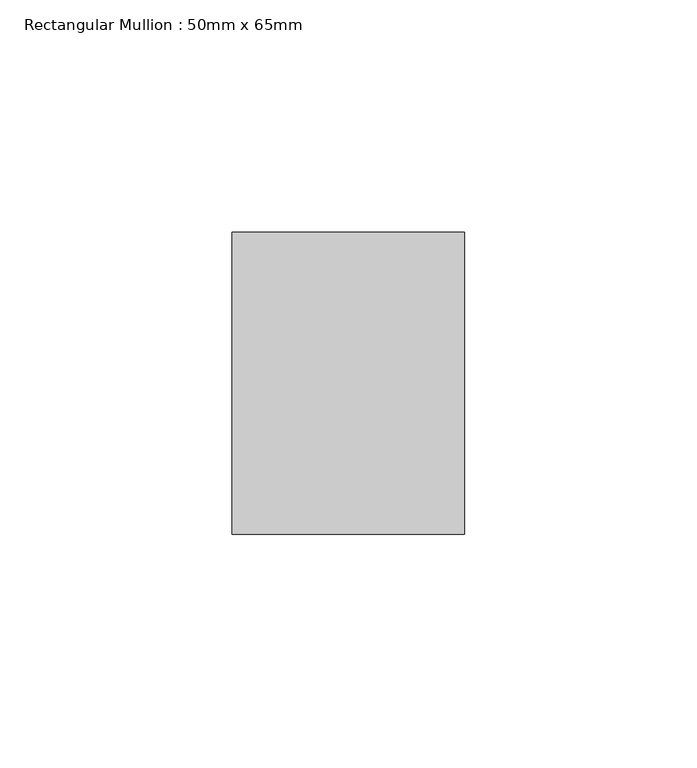
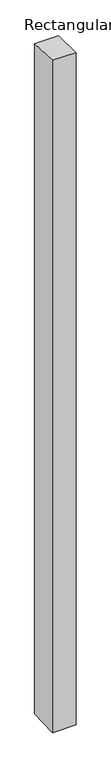
"""IFC4 building model written with IfcOpenShell, lengths in millimetres: member geometry, Rectangular Mullion : 50mm x 65mm."""

from ifc_helpers import new_model, si_unit, origin, place, context, project, spatial, faceted_brep, source, transform, mapped, element, save


def rectangular_mullion_50mm_x_65mm_e3cd74c4(model_context):
    return source(origin(), model_context, "Body", "Brep", [
        faceted_brep([(-25.0, 32.5, -0.8979638), (25.0, 32.5, -0.8979642), (25.0, 32.5, -1498.8576977), (-25.0, 32.5, -1498.8576983), (-25.0, -32.5, 0.8979642), (-25.0, -32.5, -1501.1415999), (25.0, -32.5, 0.8979638), (25.0, -32.5, -1501.1415993)], [[[0, 1, 2, 3]], [[4, 0, 3, 5]], [[6, 4, 5, 7]], [[1, 6, 7, 2]], [[1, 0, 4, 6]], [[2, 7, 5, 3]]]),
    ])


if __name__ == "__main__":
    model = new_model("IFC4")
    model_context = context("Model", 3, world=origin())
    ifc_project = project(units=[si_unit("LENGTHUNIT", "METRE", prefix="MILLI")], contexts=[model_context])
    site = spatial("IfcSite", under=ifc_project)
    building = spatial("IfcBuilding", under=site)
    placement = place(None, origin())
    rectangular_mullion_50mm_x_65mm_shape = rectangular_mullion_50mm_x_65mm_e3cd74c4(model_context)
    element("IfcMember", 1, ObjectType="Rectangular Mullion : 50mm x 65mm", at=placement, inside=building, context=model_context, shape_type="MappedRepresentation", body=[
        mapped(rectangular_mullion_50mm_x_65mm_shape, transform((0.0, 0.0, 0.0), x_axis=(1.0, 0.0, 0.0), y_axis=(0.0, 1.0, 0.0), z_axis=(0.0, 0.0, 1.0))),
    ])
    save(model, "model.ifc")
